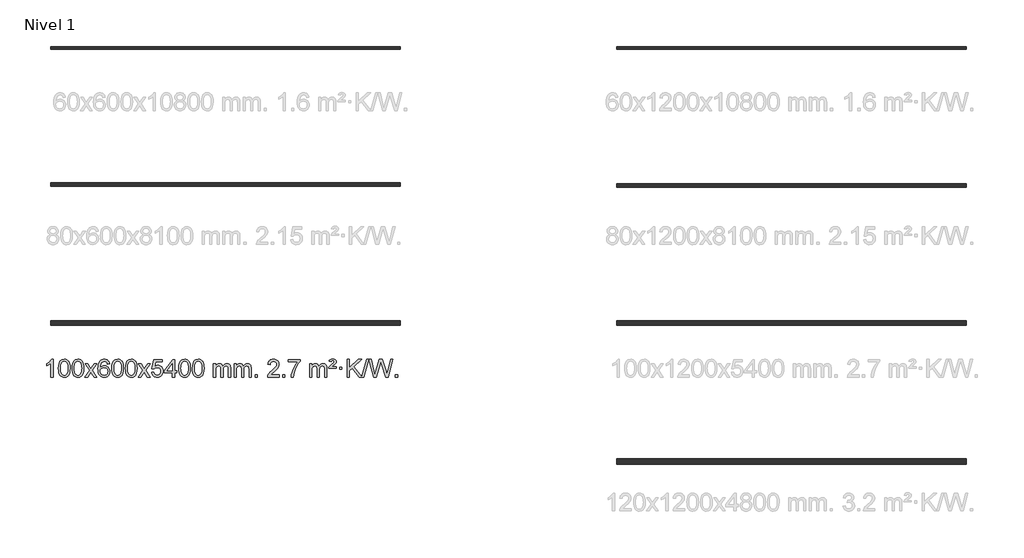
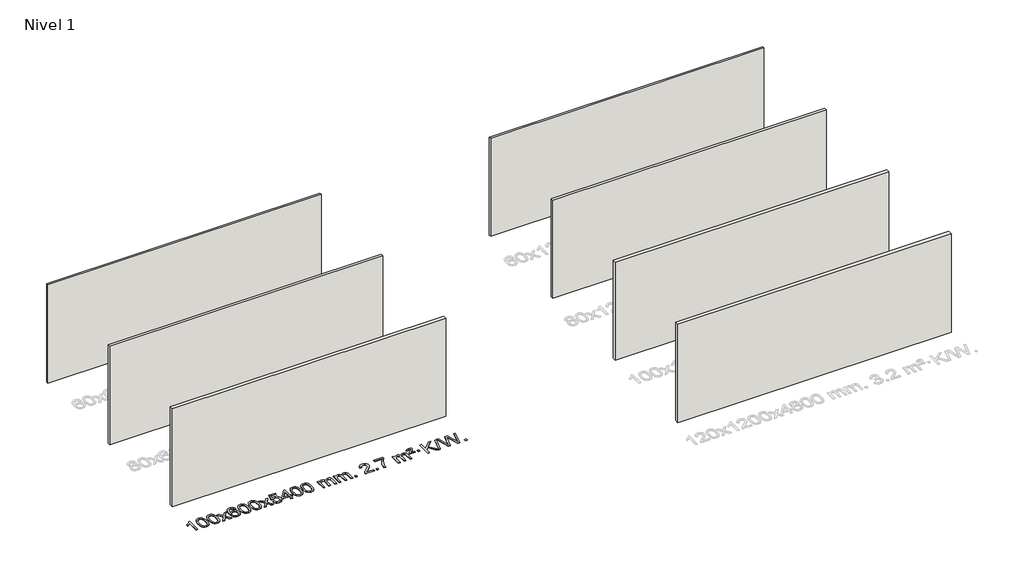
# One storey, part 1 of 8: 7 walls, 1 proxy.
"""IFC4 building model written with IfcOpenShell, lengths in millimetres."""

from ifc_helpers import new_model, si_unit, origin, origin_with_axes, place, context, project, spatial, polyline, outline, extrude, element, save

model = new_model("IFC4")

# Units and contexts
model_context = context("Model", 3, world=origin())
ifc_project = project(units=[si_unit("LENGTHUNIT", "METRE", prefix="MILLI")], contexts=[model_context])

# Site, building, storey
site = spatial("IfcSite", under=ifc_project)
building = spatial("IfcBuilding", under=site)
storey = spatial("IfcBuildingStorey", under=building, Name="Nivel 1", Elevation=0.0)

# Proxy
placement = place(None, origin())
element("IfcBuildingElementProxy", 1, Name="Texto de modelo 1", ObjectType="Texto de modelo 1", at=placement, inside=storey, context=model_context, shape_type="SweptSolid", body=[
    extrude(outline(polyline([(-12973.1124343, -9420.579453), (-13023.3405894, -9420.579453), (-13023.3405894, -9107.4382987), (-13044.3098631, -9124.3976587), (-13070.9199941, -9141.3324932), (-13123.7968995, -9166.6918254), (-13123.7968995, -9119.2105225), (-13084.3476869, -9097.7507395), (-13050.1714496, -9072.219729), (-13023.2302248, -9045.0700378), (-13005.4860499, -9018.7542124), (-12973.1124343, -9018.7542124), (-12973.1124343, -9420.579453)])), origin_with_axes(), (0.0, 0.0, 1.0), 10.0),
    extrude(outline(polyline([(-12853.820566, -9222.9041943), (-12850.1294833, -9158.5861588), (-12839.0562353, -9107.2911459), (-12820.7111864, -9068.2343407), (-12808.8531234, -9053.0009605), (-12795.2047014, -9040.6309284), (-12779.7199351, -9031.0598651), (-12762.3528393, -9024.2233914), (-12721.9716589, -9018.7542124), (-12691.0205204, -9021.991574), (-12663.3067434, -9031.7036586), (-12640.1301777, -9047.5103217), (-12622.790673, -9069.0314184), (-12609.694074, -9096.0830078), (-12599.2462253, -9128.4811488), (-12592.4036202, -9169.6226186), (-12590.1227518, -9222.9041943), (-12593.7770463, -9286.8543477), (-12604.7399298, -9338.0267333), (-12622.974614, -9377.1203266), (-12634.8050858, -9392.3996922), (-12648.4443108, -9404.8341036), (-12663.9474712, -9414.4695462), (-12681.3697494, -9421.3520052), (-12721.9716589, -9426.8579724), (-12749.636385, -9424.4667394), (-12774.1618513, -9417.2930405), (-12795.548058, -9405.3368757), (-12813.7950049, -9388.5982449), (-12831.3061879, -9358.3399508), (-12843.8141757, -9320.6381776), (-12851.3189684, -9275.4929255), (-12853.820566, -9222.9041943)]), holes=[polyline([(-12803.5924109, -9222.8060924), (-12802.1208829, -9266.4706195), (-12797.706299, -9301.8148822), (-12790.3486591, -9328.8388804), (-12780.0479632, -9347.5426142), (-12767.5890263, -9360.2682656), (-12753.7566633, -9369.3580165), (-12738.5508742, -9374.8118671), (-12721.9716589, -9376.6298173), (-12705.3924437, -9374.8057357), (-12690.1866545, -9369.3334911), (-12676.3542915, -9360.2130833), (-12663.8953546, -9347.4445124), (-12653.5946588, -9328.7101217), (-12646.2370188, -9301.6922549), (-12641.8224349, -9266.3909118), (-12640.3509069, -9222.8060924), (-12641.773384, -9180.2973278), (-12646.0408151, -9145.5753989), (-12653.1532004, -9118.6403055), (-12663.1105397, -9099.4920476), (-12675.3610101, -9086.1440625), (-12689.3527887, -9076.6097875), (-12705.0858753, -9070.8892225), (-12722.5602701, -9068.9823675), (-12739.0536462, -9070.6623619), (-12754.001918, -9075.7023452), (-12767.4050853, -9084.1023175), (-12779.2631483, -9095.8622786), (-12789.9072007, -9116.708925), (-12797.5100953, -9144.8151094), (-12802.071832, -9180.1808319), (-12803.5924109, -9222.8060924)])]), origin_with_axes(), (0.0, 0.0, 1.0), 10.0),
    extrude(outline(polyline([(-12546.1731162, -9222.9041943), (-12542.4820335, -9158.5861588), (-12531.4087854, -9107.2911459), (-12513.0637366, -9068.2343407), (-12501.2056736, -9053.0009605), (-12487.5572516, -9040.6309284), (-12472.0724853, -9031.0598651), (-12454.7053894, -9024.2233914), (-12414.3242091, -9018.7542124), (-12383.3730706, -9021.991574), (-12355.6592936, -9031.7036586), (-12332.4827279, -9047.5103217), (-12315.1432232, -9069.0314184), (-12302.0466242, -9096.0830078), (-12291.5987755, -9128.4811488), (-12284.7561704, -9169.6226186), (-12282.475302, -9222.9041943), (-12286.1295965, -9286.8543477), (-12297.09248, -9338.0267333), (-12315.3271642, -9377.1203266), (-12327.157636, -9392.3996922), (-12340.796861, -9404.8341036), (-12356.3000214, -9414.4695462), (-12373.7222996, -9421.3520052), (-12414.3242091, -9426.8579724), (-12441.9889351, -9424.4667394), (-12466.5144015, -9417.2930405), (-12487.9006081, -9405.3368757), (-12506.1475551, -9388.5982449), (-12523.6587381, -9358.3399508), (-12536.1667259, -9320.6381776), (-12543.6715186, -9275.4929255), (-12546.1731162, -9222.9041943)]), holes=[polyline([(-12495.9449611, -9222.8060924), (-12494.4734331, -9266.4706195), (-12490.0588492, -9301.8148822), (-12482.7012093, -9328.8388804), (-12472.4005134, -9347.5426142), (-12459.9415765, -9360.2682656), (-12446.1092135, -9369.3580165), (-12430.9034243, -9374.8118671), (-12414.3242091, -9376.6298173), (-12397.7449938, -9374.8057357), (-12382.5392047, -9369.3334911), (-12368.7068417, -9360.2130833), (-12356.2479048, -9347.4445124), (-12345.9472089, -9328.7101217), (-12338.589569, -9301.6922549), (-12334.1749851, -9266.3909118), (-12332.7034571, -9222.8060924), (-12334.1259341, -9180.2973278), (-12338.3933653, -9145.5753989), (-12345.5057505, -9118.6403055), (-12355.4630899, -9099.4920476), (-12367.7135603, -9086.1440625), (-12381.7053388, -9076.6097875), (-12397.4384255, -9070.8892225), (-12414.9128203, -9068.9823675), (-12431.4061964, -9070.6623619), (-12446.3544681, -9075.7023452), (-12459.7576355, -9084.1023175), (-12471.6156985, -9095.8622786), (-12482.2597509, -9116.708925), (-12489.8626454, -9144.8151094), (-12494.4243822, -9180.1808319), (-12495.9449611, -9222.8060924)])]), origin_with_axes(), (0.0, 0.0, 1.0), 10.0),
    extrude(outline(polyline([(-12257.3612245, -9420.579453), (-12150.0377838, -9272.2494325), (-12251.0827051, -9125.4890419), (-12190.651956, -9125.4890419), (-12141.8953289, -9196.122385), (-12119.1356962, -9229.4770192), (-12099.4172212, -9202.2047007), (-12043.8915654, -9125.4890419), (-11983.4608163, -9125.4890419), (-12089.6070347, -9272.2494325), (-11987.384891, -9420.579453), (-12047.81564, -9420.579453), (-12109.3255096, -9331.4048574), (-12120.6072241, -9315.1199477), (-12196.9304754, -9420.579453), (-12257.3612245, -9420.579453)])), origin_with_axes(), (0.0, 0.0, 1.0), 10.0),
    extrude(outline(polyline([(-11698.5729993, -9125.4890419), (-11748.8011543, -9131.7675613), (-11756.8945582, -9106.874213), (-11767.8329162, -9089.8780648), (-11790.6170745, -9074.2062918), (-11818.1591732, -9068.9823675), (-11841.5074171, -9072.0235253), (-11863.482235, -9081.1469988), (-11882.3545813, -9100.3627017), (-11897.7688369, -9126.8134171), (-11908.1798974, -9164.227016), (-11912.0426583, -9216.3313693), (-11891.8949877, -9192.8237098), (-11867.7496661, -9176.2567573), (-11840.9555941, -9166.434308), (-11812.8616724, -9163.1601582), (-11788.7286136, -9165.398107), (-11766.4594901, -9172.1119534), (-11746.0543021, -9183.3016975), (-11727.5130496, -9198.9673391), (-11712.1049253, -9218.1769106), (-11701.0991223, -9239.9984443), (-11694.4956405, -9264.4319401), (-11692.2944799, -9291.4773982), (-11696.4392837, -9327.4439945), (-11708.8736951, -9360.786366), (-11728.5676446, -9389.0642287), (-11754.4910625, -9409.8372987), (-11785.4667265, -9422.602804), (-11820.3174142, -9426.8579724), (-11850.2599429, -9424.0375437), (-11877.3023353, -9415.5762579), (-11901.4445912, -9401.4741147), (-11922.6867107, -9381.7311143), (-11940.0047557, -9355.5133908), (-11952.3747877, -9321.9870783), (-11959.796807, -9281.1521768), (-11962.2708134, -9233.0086864), (-11959.5239612, -9179.0342663), (-11951.2834045, -9132.9693092), (-11937.5491433, -9094.8138149), (-11918.3211777, -9064.5677835), (-11897.4806627, -9044.5243462), (-11873.316947, -9030.2076052), (-11845.8300306, -9021.6175606), (-11815.0199135, -9018.7542124), (-11791.8862673, -9020.5261773), (-11770.9476505, -9025.8420722), (-11752.2040628, -9034.7018969), (-11735.6555044, -9047.1056515), (-11721.749565, -9062.6364031), (-11710.9338343, -9080.8772186), (-11703.2083124, -9101.8280983), (-11698.5729993, -9125.4890419)]), holes=[polyline([(-11912.0426583, -9290.6925832), (-11909.1363906, -9312.9494439), (-11900.4175873, -9334.2007605), (-11886.8795299, -9352.472233), (-11869.5154997, -9365.7895612), (-11848.5584887, -9373.9197533), (-11824.2414888, -9376.6298173), (-11791.0953211, -9371.0134855), (-11777.1801846, -9363.9930708), (-11765.0370131, -9354.1644901), (-11755.1869726, -9341.9262824), (-11748.1512295, -9327.6769865), (-11742.522635, -9293.1451299), (-11748.0776531, -9259.9989621), (-11755.0214257, -9246.3781312), (-11764.7427075, -9234.725469), (-11776.9226672, -9225.3904634), (-11791.2424739, -9218.7226022), (-11826.301628, -9213.3883133), (-11859.3987448, -9218.7226022), (-11887.0757336, -9234.725469), (-11897.9987632, -9246.2248471), (-11905.8009272, -9259.3858254), (-11910.4822255, -9274.2084042), (-11912.0426583, -9290.6925832)])]), origin_with_axes(), (0.0, 0.0, 1.0), 10.0),
    extrude(outline(polyline([(-11648.3448442, -9222.9041943), (-11644.6537615, -9158.5861588), (-11633.5805135, -9107.2911459), (-11615.2354646, -9068.2343407), (-11603.3774017, -9053.0009605), (-11589.7289796, -9040.6309284), (-11574.2442133, -9031.0598651), (-11556.8771175, -9024.2233914), (-11516.4959371, -9018.7542124), (-11485.5447986, -9021.991574), (-11457.8310216, -9031.7036586), (-11434.6544559, -9047.5103217), (-11417.3149512, -9069.0314184), (-11404.2183522, -9096.0830078), (-11393.7705035, -9128.4811488), (-11386.9278984, -9169.6226186), (-11384.6470301, -9222.9041943), (-11388.3013245, -9286.8543477), (-11399.264208, -9338.0267333), (-11417.4988922, -9377.1203266), (-11429.3293641, -9392.3996922), (-11442.968589, -9404.8341036), (-11458.4717494, -9414.4695462), (-11475.8940276, -9421.3520052), (-11516.4959371, -9426.8579724), (-11544.1606632, -9424.4667394), (-11568.6861295, -9417.2930405), (-11590.0723362, -9405.3368757), (-11608.3192831, -9388.5982449), (-11625.8304661, -9358.3399508), (-11638.3384539, -9320.6381776), (-11645.8432466, -9275.4929255), (-11648.3448442, -9222.9041943)]), holes=[polyline([(-11598.1166891, -9222.8060924), (-11596.6451611, -9266.4706195), (-11592.2305772, -9301.8148822), (-11584.8729373, -9328.8388804), (-11574.5722414, -9347.5426142), (-11562.1133045, -9360.2682656), (-11548.2809415, -9369.3580165), (-11533.0751524, -9374.8118671), (-11516.4959371, -9376.6298173), (-11499.9167219, -9374.8057357), (-11484.7109327, -9369.3334911), (-11470.8785697, -9360.2130833), (-11458.4196328, -9347.4445124), (-11448.118937, -9328.7101217), (-11440.7612971, -9301.6922549), (-11436.3467131, -9266.3909118), (-11434.8751851, -9222.8060924), (-11436.2976622, -9180.2973278), (-11440.5650933, -9145.5753989), (-11447.6774786, -9118.6403055), (-11457.6348179, -9099.4920476), (-11469.8852883, -9086.1440625), (-11483.8770669, -9076.6097875), (-11499.6101535, -9070.8892225), (-11517.0845483, -9068.9823675), (-11533.5779244, -9070.6623619), (-11548.5261962, -9075.7023452), (-11561.9293635, -9084.1023175), (-11573.7874265, -9095.8622786), (-11584.4314789, -9116.708925), (-11592.0343735, -9144.8151094), (-11596.5961102, -9180.1808319), (-11598.1166891, -9222.8060924)])]), origin_with_axes(), (0.0, 0.0, 1.0), 10.0),
    extrude(outline(polyline([(-11340.6973944, -9222.9041943), (-11337.0063117, -9158.5861588), (-11325.9330636, -9107.2911459), (-11307.5880148, -9068.2343407), (-11295.7299518, -9053.0009605), (-11282.0815298, -9040.6309284), (-11266.5967635, -9031.0598651), (-11249.2296676, -9024.2233914), (-11208.8484873, -9018.7542124), (-11177.8973488, -9021.991574), (-11150.1835718, -9031.7036586), (-11127.0070061, -9047.5103217), (-11109.6675014, -9069.0314184), (-11096.5709024, -9096.0830078), (-11086.1230537, -9128.4811488), (-11079.2804486, -9169.6226186), (-11076.9995802, -9222.9041943), (-11080.6538747, -9286.8543477), (-11091.6167582, -9338.0267333), (-11109.8514424, -9377.1203266), (-11121.6819142, -9392.3996922), (-11135.3211392, -9404.8341036), (-11150.8242996, -9414.4695462), (-11168.2465778, -9421.3520052), (-11208.8484873, -9426.8579724), (-11236.5132133, -9424.4667394), (-11261.0386797, -9417.2930405), (-11282.4248863, -9405.3368757), (-11300.6718333, -9388.5982449), (-11318.1830163, -9358.3399508), (-11330.6910041, -9320.6381776), (-11338.1957968, -9275.4929255), (-11340.6973944, -9222.9041943)]), holes=[polyline([(-11290.4692393, -9222.8060924), (-11288.9977113, -9266.4706195), (-11284.5831274, -9301.8148822), (-11277.2254875, -9328.8388804), (-11266.9247916, -9347.5426142), (-11254.4658547, -9360.2682656), (-11240.6334917, -9369.3580165), (-11225.4277025, -9374.8118671), (-11208.8484873, -9376.6298173), (-11192.269272, -9374.8057357), (-11177.0634829, -9369.3334911), (-11163.2311199, -9360.2130833), (-11150.772183, -9347.4445124), (-11140.4714871, -9328.7101217), (-11133.1138472, -9301.6922549), (-11128.6992633, -9266.3909118), (-11127.2277353, -9222.8060924), (-11128.6502123, -9180.2973278), (-11132.9176435, -9145.5753989), (-11140.0300287, -9118.6403055), (-11149.9873681, -9099.4920476), (-11162.2378385, -9086.1440625), (-11176.2296171, -9076.6097875), (-11191.9627037, -9070.8892225), (-11209.4370985, -9068.9823675), (-11225.9304746, -9070.6623619), (-11240.8787463, -9075.7023452), (-11254.2819137, -9084.1023175), (-11266.1399767, -9095.8622786), (-11276.7840291, -9116.708925), (-11284.3869236, -9144.8151094), (-11288.9486604, -9180.1808319), (-11290.4692393, -9222.8060924)])]), origin_with_axes(), (0.0, 0.0, 1.0), 10.0),
    extrude(outline(polyline([(-11051.8855027, -9420.579453), (-10944.562062, -9272.2494325), (-11045.6069833, -9125.4890419), (-10985.1762342, -9125.4890419), (-10936.4196071, -9196.122385), (-10913.6599744, -9229.4770192), (-10893.9414994, -9202.2047007), (-10838.4158436, -9125.4890419), (-10777.9850945, -9125.4890419), (-10884.1313129, -9272.2494325), (-10781.9091692, -9420.579453), (-10842.3399182, -9420.579453), (-10903.8497878, -9331.4048574), (-10915.1315023, -9315.1199477), (-10991.4547536, -9420.579453), (-11051.8855027, -9420.579453)])), origin_with_axes(), (0.0, 0.0, 1.0), 10.0),
    extrude(outline(polyline([(-10750.5165722, -9313.8446235), (-10700.2884172, -9307.5661041), (-10691.0668418, -9337.7201649), (-10674.9781359, -9359.3148381), (-10652.0958758, -9372.3010725), (-10622.4936379, -9376.6298173), (-10603.3637742, -9375.1245668), (-10586.4902533, -9370.6088153), (-10571.8730754, -9363.0825628), (-10559.5122403, -9352.5458094), (-10549.6836597, -9339.519721), (-10542.663245, -9324.5254641), (-10537.0469132, -9288.6324441), (-10542.3076257, -9254.8363514), (-10548.8835164, -9240.9181493), (-10558.0897633, -9228.9865099), (-10569.9570233, -9219.4154467), (-10584.5159533, -9212.5789729), (-10621.708823, -9207.1097939), (-10646.0748738, -9209.2925604), (-10665.8056115, -9215.8408599), (-10681.5632236, -9225.8717757), (-10694.0098978, -9238.5023908), (-10744.2380529, -9232.2238715), (-10700.2884172, -9025.0327318), (-10505.6543162, -9025.0327318), (-10505.6543162, -9075.2608869), (-10659.6742449, -9075.2608869), (-10681.1585534, -9185.919791), (-10663.4327726, -9173.2155994), (-10645.2777961, -9164.1411769), (-10626.693624, -9158.6965234), (-10607.6802562, -9156.8816388), (-10583.2191692, -9159.1318504), (-10560.7507764, -9165.882485), (-10540.2750777, -9177.1335427), (-10521.7920731, -9192.8850234), (-10506.4912478, -9212.1743027), (-10495.5620868, -9234.038756), (-10489.0045903, -9258.4783832), (-10486.8187581, -9285.4931844), (-10488.7869268, -9311.5147042), (-10494.6914328, -9335.7213394), (-10504.5322762, -9358.1130902), (-10518.3094569, -9378.6899565), (-10539.1806287, -9399.7634634), (-10563.5344168, -9414.8159684), (-10591.3708211, -9423.8474714), (-10622.6898416, -9426.8579724), (-10648.6101939, -9424.9235262), (-10672.0228172, -9419.1201877), (-10692.9277116, -9409.447957), (-10711.324877, -9395.9068338), (-10726.6318337, -9379.1712688), (-10738.2661018, -9359.915712), (-10746.2276813, -9338.1401636), (-10750.5165722, -9313.8446235)])), origin_with_axes(), (0.0, 0.0, 1.0), 10.0),
    extrude(outline(polyline([(-10279.6276184, -9420.579453), (-10279.6276184, -9326.4016622), (-10461.7046806, -9326.4016622), (-10461.7046806, -9276.1735072), (-10267.0705796, -9025.0327318), (-10229.3994633, -9025.0327318), (-10229.3994633, -9276.1735072), (-10179.1713083, -9276.1735072), (-10179.1713083, -9326.4016622), (-10229.3994633, -9326.4016622), (-10229.3994633, -9420.579453), (-10279.6276184, -9420.579453)]), holes=[polyline([(-10279.6276184, -9276.1735072), (-10279.6276184, -9120.9763561), (-10399.9005054, -9276.1735072), (-10279.6276184, -9276.1735072)])]), origin_with_axes(), (0.0, 0.0, 1.0), 10.0),
    extrude(outline(polyline([(-10135.2216726, -9222.9041943), (-10131.5305899, -9158.5861588), (-10120.4573418, -9107.2911459), (-10102.112293, -9068.2343407), (-10090.25423, -9053.0009605), (-10076.605808, -9040.6309284), (-10061.1210417, -9031.0598651), (-10043.7539458, -9024.2233914), (-10003.3727655, -9018.7542124), (-9972.421627, -9021.991574), (-9944.70785, -9031.7036586), (-9921.5312843, -9047.5103217), (-9904.1917796, -9069.0314184), (-9891.0951806, -9096.0830078), (-9880.6473319, -9128.4811488), (-9873.8047268, -9169.6226186), (-9871.5238584, -9222.9041943), (-9875.1781529, -9286.8543477), (-9886.1410364, -9338.0267333), (-9904.3757206, -9377.1203266), (-9916.2061924, -9392.3996922), (-9929.8454174, -9404.8341036), (-9945.3485778, -9414.4695462), (-9962.770856, -9421.3520052), (-10003.3727655, -9426.8579724), (-10031.0374915, -9424.4667394), (-10055.5629579, -9417.2930405), (-10076.9491645, -9405.3368757), (-10095.1961115, -9388.5982449), (-10112.7072945, -9358.3399508), (-10125.2152823, -9320.6381776), (-10132.720075, -9275.4929255), (-10135.2216726, -9222.9041943)]), holes=[polyline([(-10084.9935175, -9222.8060924), (-10083.5219895, -9266.4706195), (-10079.1074056, -9301.8148822), (-10071.7497657, -9328.8388804), (-10061.4490698, -9347.5426142), (-10048.9901329, -9360.2682656), (-10035.1577699, -9369.3580165), (-10019.9519807, -9374.8118671), (-10003.3727655, -9376.6298173), (-9986.7935502, -9374.8057357), (-9971.5877611, -9369.3334911), (-9957.7553981, -9360.2130833), (-9945.2964612, -9347.4445124), (-9934.9957653, -9328.7101217), (-9927.6381254, -9301.6922549), (-9923.2235415, -9266.3909118), (-9921.7520135, -9222.8060924), (-9923.1744905, -9180.2973278), (-9927.4419217, -9145.5753989), (-9934.5543069, -9118.6403055), (-9944.5116463, -9099.4920476), (-9956.7621167, -9086.1440625), (-9970.7538953, -9076.6097875), (-9986.4869819, -9070.8892225), (-10003.9613767, -9068.9823675), (-10020.4547528, -9070.6623619), (-10035.4030245, -9075.7023452), (-10048.8061919, -9084.1023175), (-10060.6642549, -9095.8622786), (-10071.3083073, -9116.708925), (-10078.9112018, -9144.8151094), (-10083.4729386, -9180.1808319), (-10084.9935175, -9222.8060924)])]), origin_with_axes(), (0.0, 0.0, 1.0), 10.0),
    extrude(outline(polyline([(-9827.5742227, -9222.9041943), (-9823.8831401, -9158.5861588), (-9812.809892, -9107.2911459), (-9794.4648432, -9068.2343407), (-9782.6067802, -9053.0009605), (-9768.9583582, -9040.6309284), (-9753.4735919, -9031.0598651), (-9736.106496, -9024.2233914), (-9695.7253157, -9018.7542124), (-9664.7741771, -9021.991574), (-9637.0604002, -9031.7036586), (-9613.8838345, -9047.5103217), (-9596.5443298, -9069.0314184), (-9583.4477307, -9096.0830078), (-9572.9998821, -9128.4811488), (-9566.157277, -9169.6226186), (-9563.8764086, -9222.9041943), (-9567.5307031, -9286.8543477), (-9578.4935865, -9338.0267333), (-9596.7282708, -9377.1203266), (-9608.5587426, -9392.3996922), (-9622.1979676, -9404.8341036), (-9637.701128, -9414.4695462), (-9655.1234061, -9421.3520052), (-9695.7253157, -9426.8579724), (-9723.3900417, -9424.4667394), (-9747.915508, -9417.2930405), (-9769.3017147, -9405.3368757), (-9787.5486617, -9388.5982449), (-9805.0598446, -9358.3399508), (-9817.5678325, -9320.6381776), (-9825.0726252, -9275.4929255), (-9827.5742227, -9222.9041943)]), holes=[polyline([(-9777.3460677, -9222.8060924), (-9775.8745397, -9266.4706195), (-9771.4599557, -9301.8148822), (-9764.1023158, -9328.8388804), (-9753.80162, -9347.5426142), (-9741.3426831, -9360.2682656), (-9727.51032, -9369.3580165), (-9712.3045309, -9374.8118671), (-9695.7253157, -9376.6298173), (-9679.1461004, -9374.8057357), (-9663.9403113, -9369.3334911), (-9650.1079483, -9360.2130833), (-9637.6490114, -9347.4445124), (-9627.3483155, -9328.7101217), (-9619.9906756, -9301.6922549), (-9615.5760916, -9266.3909118), (-9614.1045637, -9222.8060924), (-9615.5270407, -9180.2973278), (-9619.7944719, -9145.5753989), (-9626.9068571, -9118.6403055), (-9636.8641964, -9099.4920476), (-9649.1146669, -9086.1440625), (-9663.1064454, -9076.6097875), (-9678.8395321, -9070.8892225), (-9696.3139269, -9068.9823675), (-9712.807303, -9070.6623619), (-9727.7555747, -9075.7023452), (-9741.1587421, -9084.1023175), (-9753.016805, -9095.8622786), (-9763.6608574, -9116.708925), (-9771.263752, -9144.8151094), (-9775.8254887, -9180.1808319), (-9777.3460677, -9222.8060924)])]), origin_with_axes(), (0.0, 0.0, 1.0), 10.0),
    extrude(outline(polyline([(-9350.4067495, -9420.579453), (-9350.4067495, -9125.4890419), (-9300.1785945, -9125.4890419), (-9300.1785945, -9174.0494653), (-9285.0709072, -9151.7435537), (-9265.6467378, -9134.2691589), (-9242.568274, -9122.9751816), (-9216.4977033, -9119.2105225), (-9188.5631971, -9123.048758), (-9166.1714463, -9134.5634645), (-9149.4450783, -9152.9943524), (-9138.5067203, -9177.5811324), (-9120.1984597, -9152.0439906), (-9099.3150251, -9133.803175), (-9075.8564165, -9122.8586857), (-9049.822634, -9119.2105225), (-9029.7148173, -9120.7280358), (-9012.0656786, -9125.2805755), (-8996.8752178, -9132.8681416), (-8984.1434351, -9143.4907342), (-8974.0787969, -9157.2709806), (-8966.8897696, -9174.3315082), (-8962.5763532, -9194.6723168), (-8961.1385477, -9218.2934066), (-8961.1385477, -9420.579453), (-9011.3667028, -9420.579453), (-9011.3667028, -9239.875817), (-9012.5316624, -9214.8230531), (-9016.0265414, -9197.9372695), (-9022.5748409, -9186.3735121), (-9032.9000622, -9177.2868268), (-9046.1806022, -9171.4007149), (-9061.5948578, -9169.4386776), (-9088.8058628, -9174.4663982), (-9110.9891471, -9189.54956), (-9119.5945201, -9201.1194488), (-9125.7412151, -9215.7182326), (-9130.6585711, -9254.0024856), (-9130.6585711, -9420.579453), (-9180.8867261, -9420.579453), (-9180.8867261, -9234.2840106), (-9183.7929939, -9205.8835206), (-9192.5117972, -9185.6254854), (-9207.8524764, -9173.4853796), (-9230.6243719, -9169.4386776), (-9249.9749648, -9172.1364789), (-9267.8049789, -9180.2298828), (-9282.5202587, -9193.5226856), (-9292.526649, -9211.8186835), (-9298.2656081, -9237.2025411), (-9300.1785945, -9271.7589232), (-9300.1785945, -9420.579453), (-9350.4067495, -9420.579453)])), origin_with_axes(), (0.0, 0.0, 1.0), 10.0),
    extrude(outline(polyline([(-8885.7963151, -9420.579453), (-8885.7963151, -9125.4890419), (-8835.56816, -9125.4890419), (-8835.56816, -9174.0494653), (-8820.4604727, -9151.7435537), (-8801.0363034, -9134.2691589), (-8777.9578396, -9122.9751816), (-8751.8872688, -9119.2105225), (-8723.9527627, -9123.048758), (-8701.5610119, -9134.5634645), (-8684.8346439, -9152.9943524), (-8673.8962859, -9177.5811324), (-8655.5880252, -9152.0439906), (-8634.7045906, -9133.803175), (-8611.2459821, -9122.8586857), (-8585.2121996, -9119.2105225), (-8565.1043828, -9120.7280358), (-8547.4552441, -9125.2805755), (-8532.2647834, -9132.8681416), (-8519.5330007, -9143.4907342), (-8509.4683624, -9157.2709806), (-8502.2793351, -9174.3315082), (-8497.9659187, -9194.6723168), (-8496.5281133, -9218.2934066), (-8496.5281133, -9420.579453), (-8546.7562683, -9420.579453), (-8546.7562683, -9239.875817), (-8547.921228, -9214.8230531), (-8551.4161069, -9197.9372695), (-8557.9644064, -9186.3735121), (-8568.2896278, -9177.2868268), (-8581.5701678, -9171.4007149), (-8596.9844234, -9169.4386776), (-8624.1954283, -9174.4663982), (-8646.3787126, -9189.54956), (-8654.9840856, -9201.1194488), (-8661.1307806, -9215.7182326), (-8666.0481366, -9254.0024856), (-8666.0481366, -9420.579453), (-8716.2762917, -9420.579453), (-8716.2762917, -9234.2840106), (-8719.1825595, -9205.8835206), (-8727.9013628, -9185.6254854), (-8743.242042, -9173.4853796), (-8766.0139375, -9169.4386776), (-8785.3645304, -9172.1364789), (-8803.1945444, -9180.2298828), (-8817.9098242, -9193.5226856), (-8827.9162145, -9211.8186835), (-8833.6551736, -9237.2025411), (-8835.56816, -9271.7589232), (-8835.56816, -9420.579453), (-8885.7963151, -9420.579453)])), origin_with_axes(), (0.0, 0.0, 1.0), 10.0),
    extrude(outline(polyline([(-8408.6288419, -9420.579453), (-8408.6288419, -9370.3512979), (-8358.4006868, -9370.3512979), (-8358.4006868, -9420.579453), (-8408.6288419, -9420.579453)])), origin_with_axes(), (0.0, 0.0, 1.0), 10.0),
    extrude(outline(polyline([(-7862.3976554, -9370.3512979), (-7862.3976554, -9420.579453), (-8126.0954696, -9420.579453), (-8124.9918236, -9402.8965918), (-8120.699867, -9385.9494945), (-8108.3145065, -9358.8856424), (-8090.1901868, -9332.6311307), (-8063.9724633, -9305.1503456), (-8027.3068911, -9274.4076736), (-7973.1056105, -9226.2641831), (-7940.5848421, -9190.7267824), (-7924.324458, -9161.884834), (-7918.9043299, -9133.8277005), (-7924.0178896, -9108.6768347), (-7939.3585688, -9087.7688747), (-7962.9398047, -9073.6789943), (-7992.7750345, -9068.9823675), (-8024.1063178, -9073.5686297), (-8048.4478431, -9087.3274163), (-8064.1564043, -9109.1796068), (-8069.5887951, -9138.0460807), (-8119.8169502, -9131.7675613), (-8115.4974024, -9105.838012), (-8107.6400562, -9083.1826125), (-8096.2449114, -9063.8013627), (-8081.311968, -9047.6942627), (-8063.1845827, -9035.0329907), (-8042.2061119, -9025.989225), (-8018.3765557, -9020.5629655), (-7991.695914, -9018.7542124), (-7964.776149, -9020.7653006), (-7940.8178341, -9026.7985654), (-7919.8209692, -9036.8540066), (-7901.7855544, -9050.9316242), (-7887.3002008, -9067.9890861), (-7876.9535197, -9086.9840598), (-7870.745511, -9107.9165453), (-7868.6761748, -9130.7865427), (-7870.9079923, -9154.8092369), (-7877.6034446, -9178.4149983), (-7889.486033, -9202.4254299), (-7907.2792588, -9227.6621347), (-7935.6429607, -9257.7916701), (-7979.2369771, -9296.4805933), (-8037.0189758, -9344.795762), (-8059.6805067, -9370.3512979), (-7862.3976554, -9370.3512979)])), origin_with_axes(), (0.0, 0.0, 1.0), 10.0),
    extrude(outline(polyline([(-7787.0554228, -9420.579453), (-7787.0554228, -9370.3512979), (-7736.8272677, -9370.3512979), (-7736.8272677, -9420.579453), (-7787.0554228, -9420.579453)])), origin_with_axes(), (0.0, 0.0, 1.0), 10.0),
    extrude(outline(polyline([(-7655.2065158, -9075.2608869), (-7655.2065158, -9025.0327318), (-7391.5087016, -9025.0327318), (-7391.5087016, -9065.646904), (-7429.0939788, -9113.214046), (-7466.311374, -9173.7061088), (-7499.1387107, -9241.6048623), (-7523.5538124, -9311.3920768), (-7535.52224, -9363.6067947), (-7542.1931668, -9420.579453), (-7592.4213219, -9420.579453), (-7586.9889311, -9368.8061935), (-7572.4575923, -9307.2717985), (-7549.2197129, -9242.0463207), (-7517.6677005, -9179.1998132), (-7480.83045, -9122.3865704), (-7441.7368567, -9075.2608869), (-7655.2065158, -9075.2608869)])), origin_with_axes(), (0.0, 0.0, 1.0), 10.0),
    extrude(outline(polyline([(-7178.0390425, -9420.579453), (-7178.0390425, -9125.4890419), (-7127.8108875, -9125.4890419), (-7127.8108875, -9174.0494653), (-7112.7032002, -9151.7435537), (-7093.2790309, -9134.2691589), (-7070.200567, -9122.9751816), (-7044.1299963, -9119.2105225), (-7016.1954901, -9123.048758), (-6993.8037394, -9134.5634645), (-6977.0773713, -9152.9943524), (-6966.1390133, -9177.5811324), (-6947.8307527, -9152.0439906), (-6926.9473181, -9133.803175), (-6903.4887095, -9122.8586857), (-6877.454927, -9119.2105225), (-6857.3471103, -9120.7280358), (-6839.6979716, -9125.2805755), (-6824.5075109, -9132.8681416), (-6811.7757281, -9143.4907342), (-6801.7110899, -9157.2709806), (-6794.5220626, -9174.3315082), (-6790.2086462, -9194.6723168), (-6788.7708407, -9218.2934066), (-6788.7708407, -9420.579453), (-6838.9989958, -9420.579453), (-6838.9989958, -9239.875817), (-6840.1639554, -9214.8230531), (-6843.6588344, -9197.9372695), (-6850.2071339, -9186.3735121), (-6860.5323552, -9177.2868268), (-6873.8128953, -9171.4007149), (-6889.2271509, -9169.4386776), (-6916.4381558, -9174.4663982), (-6938.6214401, -9189.54956), (-6947.2268131, -9201.1194488), (-6953.3735081, -9215.7182326), (-6958.2908641, -9254.0024856), (-6958.2908641, -9420.579453), (-7008.5190192, -9420.579453), (-7008.5190192, -9234.2840106), (-7011.4252869, -9205.8835206), (-7020.1440902, -9185.6254854), (-7035.4847694, -9173.4853796), (-7058.2566649, -9169.4386776), (-7077.6072579, -9172.1364789), (-7095.4372719, -9180.2298828), (-7110.1525517, -9193.5226856), (-7120.158942, -9211.8186835), (-7125.8979011, -9237.2025411), (-7127.8108875, -9271.7589232), (-7127.8108875, -9420.579453), (-7178.0390425, -9420.579453)])), origin_with_axes(), (0.0, 0.0, 1.0), 10.0),
    extrude(outline(polyline([(-6744.821205, -9219.6668327), (-6740.9952323, -9203.8479069), (-6732.6565737, -9187.9799302), (-6711.1477397, -9162.8413272), (-6679.1910571, -9135.1030247), (-6635.0452177, -9097.726214), (-6627.908307, -9086.1992448), (-6625.5293367, -9074.3779701), (-6627.4177976, -9062.2869152), (-6633.0831804, -9052.5012541), (-6642.4519085, -9046.026531), (-6655.4504057, -9043.8682899), (-6667.8848171, -9045.4869707), (-6676.7385104, -9050.343013), (-6683.1641826, -9059.8098431), (-6688.3145306, -9075.2608869), (-6738.5426856, -9068.9823675), (-6727.7024295, -9043.7701881), (-6711.0741633, -9026.2099542), (-6687.3089864, -9015.9092583), (-6655.0579982, -9012.475693), (-6619.2753428, -9016.6082341), (-6594.5291473, -9029.0058573), (-6580.108173, -9047.3386434), (-6575.3011816, -9069.2766731), (-6579.3969345, -9092.1834586), (-6591.6841932, -9113.8149199), (-6612.2120085, -9133.6314968), (-6648.6813769, -9161.6886303), (-6674.2859638, -9188.2742358), (-6575.3011816, -9188.2742358), (-6575.3011816, -9219.6668327), (-6744.821205, -9219.6668327)])), origin_with_axes(), (0.0, 0.0, 1.0), 10.0),
    extrude(outline(polyline([(-6499.958949, -9244.7809102), (-6499.958949, -9194.5527552), (-6449.730794, -9194.5527552), (-6449.730794, -9244.7809102), (-6499.958949, -9244.7809102)])), origin_with_axes(), (0.0, 0.0, 1.0), 10.0),
    extrude(outline(polyline([(-6059.089166, -9420.579453), (-6212.5204835, -9217.9009991), (-6280.2107706, -9282.4520265), (-6280.2107706, -9420.579453), (-6330.4389257, -9420.579453), (-6330.4389257, -9018.7542124), (-6280.2107706, -9018.7542124), (-6280.2107706, -9215.4484525), (-6074.1968533, -9018.7542124), (-6003.9559177, -9018.7542124), (-6176.9095063, -9183.9577537), (-6002.2558965, -9414.5349332), (-5890.9425687, -9018.7542124), (-5845.6195069, -9018.7542124), (-5958.6328559, -9420.579453), (-5997.6773983, -9420.579453), (-6003.9559177, -9420.579453), (-6059.089166, -9420.579453)])), origin_with_axes(), (0.0, 0.0, 1.0), 10.0),
    extrude(outline(polyline([(-5731.13463, -9420.579453), (-5840.7144137, -9018.7542124), (-5788.9166288, -9018.7542124), (-5725.34662, -9282.844434), (-5705.7262469, -9364.3670841), (-5684.7324477, -9292.2622131), (-5605.073733, -9018.7542124), (-5530.4182135, -9018.7542124), (-5472.5381129, -9217.0180823), (-5447.7428664, -9290.5944814), (-5429.471394, -9364.3670841), (-5410.4396321, -9285.1988788), (-5346.2810122, -9018.7542124), (-5294.4832272, -9018.7542124), (-5404.1611127, -9420.579453), (-5457.8228331, -9420.579453), (-5554.1588649, -9110.5775584), (-5567.5988205, -9067.3146358), (-5582.7065077, -9119.4067263), (-5670.5076772, -9420.579453), (-5731.13463, -9420.579453)])), origin_with_axes(), (0.0, 0.0, 1.0), 10.0),
    extrude(outline(polyline([(-5237.9765528, -9420.579453), (-5237.9765528, -9370.3512979), (-5187.7483977, -9370.3512979), (-5187.7483977, -9420.579453), (-5237.9765528, -9420.579453)])), origin_with_axes(), (0.0, 0.0, 1.0), 10.0),
])

# Walls
element("IfcWall", 2, at=placement, inside=storey, context=model_context, shape_type="SweptSolid", body=[
    extrude(outline(polyline([(7668.7582768, -5129.6168569), (-231.2417232, -5129.6168569), (-231.2417232, -5049.6168569), (7668.7582768, -5049.6168569), (7668.7582768, -5129.6168569)])), origin_with_axes(), (0.0, 0.0, 1.0), 3000.0),
])
element("IfcWall", 3, at=placement, inside=storey, context=model_context, shape_type="SweptSolid", body=[
    extrude(outline(polyline([(-5131.2417232, -5109.6168569), (-13031.2417232, -5109.6168569), (-13031.2417232, -5029.6168569), (-5131.2417232, -5029.6168569), (-5131.2417232, -5109.6168569)])), origin_with_axes(), (0.0, 0.0, 1.0), 3000.0),
])
element("IfcWall", 4, at=placement, inside=storey, context=model_context, shape_type="SweptSolid", body=[
    extrude(outline(polyline([(-5131.2417232, -2009.6168569), (-13031.2417232, -2009.6168569), (-13031.2417232, -1949.6168569), (-5131.2417232, -1949.6168569), (-5131.2417232, -2009.6168569)])), origin_with_axes(), (0.0, 0.0, 1.0), 3000.0),
])
element("IfcWall", 5, at=placement, inside=storey, context=model_context, shape_type="SweptSolid", body=[
    extrude(outline(polyline([(-5131.2417232, -8249.6168569), (-13031.2417232, -8249.6168569), (-13031.2417232, -8149.6168569), (-5131.2417232, -8149.6168569), (-5131.2417232, -8249.6168569)])), origin_with_axes(), (0.0, 0.0, 1.0), 3000.0),
])
element("IfcWall", 6, at=placement, inside=storey, context=model_context, shape_type="SweptSolid", body=[
    extrude(outline(polyline([(7668.7582768, -11389.6168569), (-231.2417232, -11389.6168569), (-231.2417232, -11269.6168569), (7668.7582768, -11269.6168569), (7668.7582768, -11389.6168569)])), origin_with_axes(), (0.0, 0.0, 1.0), 3000.0),
])
element("IfcWall", 7, at=placement, inside=storey, context=model_context, shape_type="SweptSolid", body=[
    extrude(outline(polyline([(7668.7582768, -2009.6168569), (-231.2417232, -2009.6168569), (-231.2417232, -1949.6168569), (7668.7582768, -1949.6168569), (7668.7582768, -2009.6168569)])), origin_with_axes(), (0.0, 0.0, 1.0), 3000.0),
])
element("IfcWall", 8, at=placement, inside=storey, context=model_context, shape_type="SweptSolid", body=[
    extrude(outline(polyline([(7668.7582768, -8249.6168569), (-231.2417232, -8249.6168569), (-231.2417232, -8149.6168569), (7668.7582768, -8149.6168569), (7668.7582768, -8249.6168569)])), origin_with_axes(), (0.0, 0.0, 1.0), 3000.0),
])

save(model, "model.ifc")
